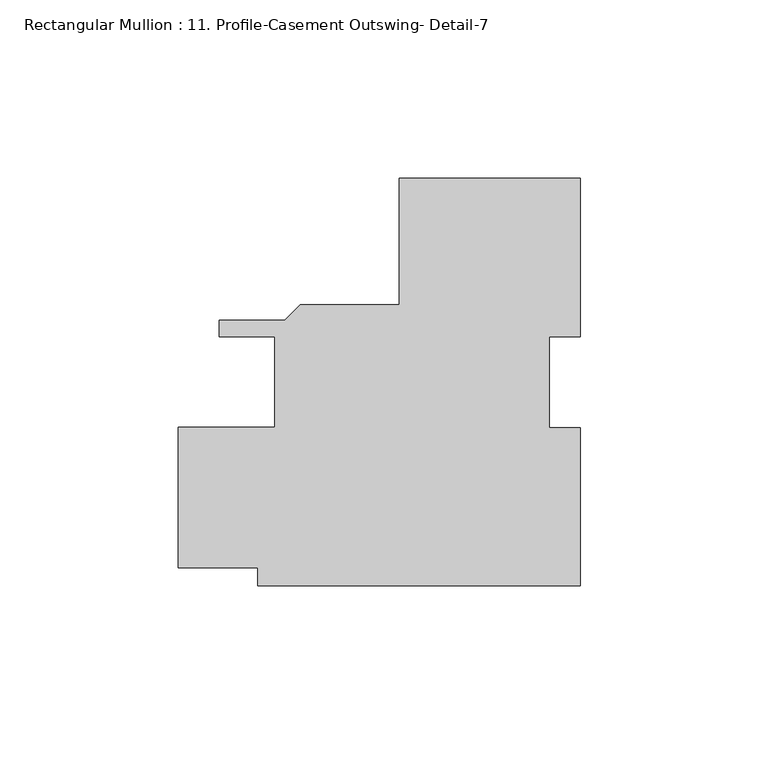
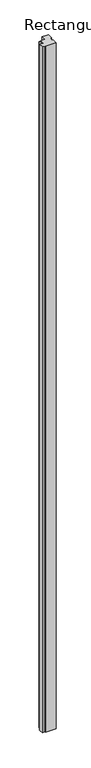
"""IFC4 building model written with IfcOpenShell, lengths in millimetres: member geometry, Rectangular Mullion : 11. Profile-Casement Outswing- Detail-7."""

from ifc_helpers import new_model, si_unit, frame, origin, place, context, project, spatial, polyline, outline, extrude, source, transform, mapped, element, save


def rectangular_mullion_11_profile_casement_outswing_detail_7_98096ba8(model_context):
    return source(origin(), model_context, "Body", "SweptSolid", [
        extrude(outline(polyline([(25.4, -57.1822784), (-65.1006057, -57.1822784), (-65.1006057, -52.1022356), (-87.3125, -52.1022356), (-87.3125, -12.7322358), (-60.3381058, -12.7322358), (-60.3381058, 12.6677643), (-75.8261495, 12.6677643), (-75.8261495, 17.3667644), (-57.4436417, 17.3667644), (-53.1764417, 21.6339644), (-25.4, 21.6339644), (-25.4, 57.1177216), (25.4, 57.1177216), (25.4, 12.7004174), (16.66875, 12.7004174), (16.66875, -12.787281), (25.4, -12.787281), (25.4, -57.1822784)])), frame((0.0, 0.0, -6008.6558408), z_axis=(0.0, 0.0, 1.0), x_axis=(1.0, 0.0, 0.0)), (0.0, 0.0, 1.0), 6008.6558408),
    ])


if __name__ == "__main__":
    model = new_model("IFC4")
    model_context = context("Model", 3, world=origin())
    ifc_project = project(units=[si_unit("LENGTHUNIT", "METRE", prefix="MILLI")], contexts=[model_context])
    site = spatial("IfcSite", under=ifc_project)
    building = spatial("IfcBuilding", under=site)
    placement = place(None, origin())
    rectangular_mullion_11_profile_casement_outswing_detail_7_shape = rectangular_mullion_11_profile_casement_outswing_detail_7_98096ba8(model_context)
    element("IfcMember", 1, ObjectType="Rectangular Mullion : 11. Profile-Casement Outswing- Detail-7", at=placement, inside=building, context=model_context, shape_type="MappedRepresentation", body=[
        mapped(rectangular_mullion_11_profile_casement_outswing_detail_7_shape, transform((0.0, 0.0, 0.0), x_axis=(1.0, 0.0, 0.0), y_axis=(0.0, 1.0, 0.0), z_axis=(0.0, 0.0, 1.0))),
    ])
    save(model, "model.ifc")
